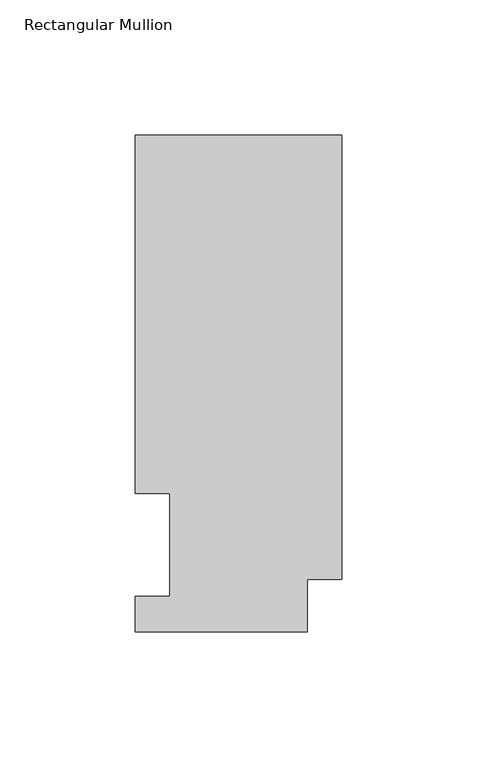
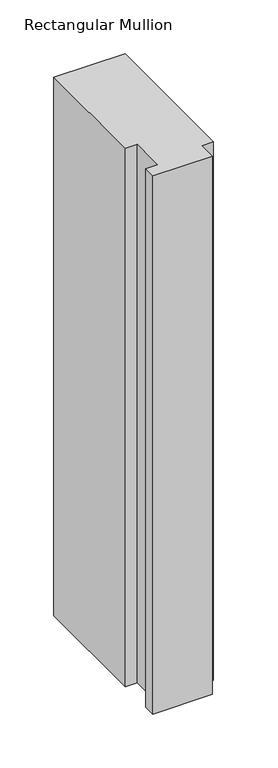
"""IFC4 building model written with IfcOpenShell, lengths in millimetres: member geometry, Rectangular Mullion."""

from ifc_helpers import new_model, si_unit, frame, origin, place, context, project, spatial, polyline, outline, extrude, source, transform, mapped, element, save


def rectangular_mullion_27913e1d(model_context):
    return source(origin(), model_context, "Body", "SweptSolid", [
        extrude(outline(polyline([(0.0, 183.6554938), (0.0, 19.5460937), (-12.7, 19.5460937), (-12.7, 0.0134937), (-76.2000004, 0.0134937), (-76.2000004, 13.1960937), (-63.4943324, 13.1960937), (-63.4943324, 51.2960938), (-76.2000004, 51.2960938), (-76.2000004, 183.6554938), (0.0, 183.6554938)])), frame((0.0, 0.0, -609.6), z_axis=(0.0, 0.0, 1.0), x_axis=(1.0, 0.0, 0.0)), (0.0, 0.0, 1.0), 609.6),
    ])


if __name__ == "__main__":
    model = new_model("IFC4")
    model_context = context("Model", 3, world=origin())
    ifc_project = project(units=[si_unit("LENGTHUNIT", "METRE", prefix="MILLI")], contexts=[model_context])
    site = spatial("IfcSite", under=ifc_project)
    building = spatial("IfcBuilding", under=site)
    placement = place(None, origin())
    rectangular_mullion_shape = rectangular_mullion_27913e1d(model_context)
    element("IfcMember", 1, ObjectType="Rectangular Mullion", at=placement, inside=building, context=model_context, shape_type="MappedRepresentation", body=[
        mapped(rectangular_mullion_shape, transform((0.0, 0.0, 0.0), x_axis=(1.0, 0.0, 0.0), y_axis=(0.0, 1.0, 0.0), z_axis=(0.0, 0.0, 1.0))),
    ])
    save(model, "model.ifc")
